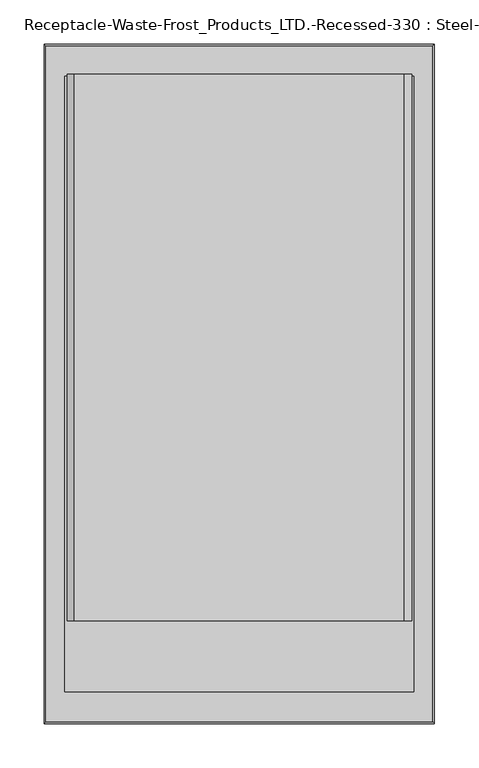
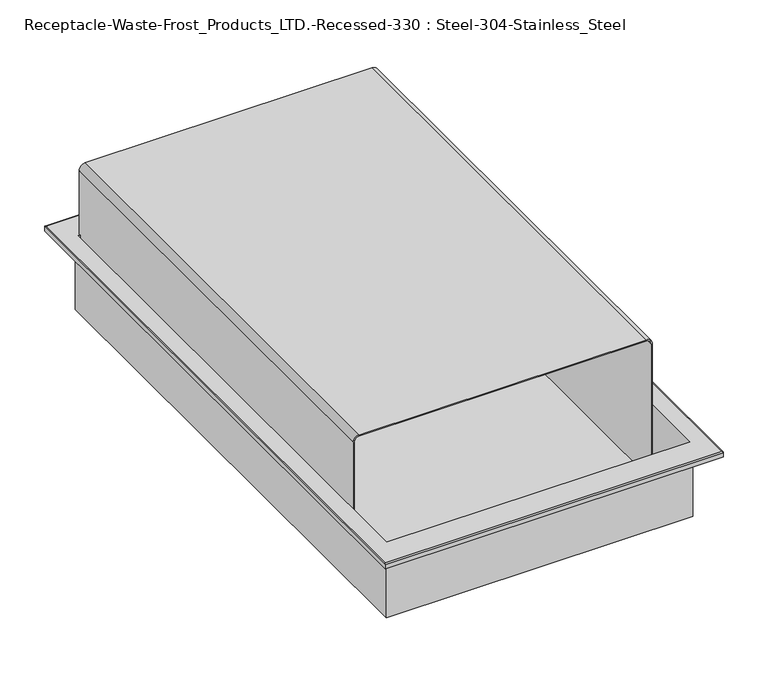
"""IFC4 building model written with IfcOpenShell, lengths in millimetres: proxy geometry, Receptacle-Waste-Frost_Products_LTD.-Recessed-330 : Steel-304-Stainless_Steel."""

from ifc_helpers import new_model, si_unit, frame, origin, place, context, project, spatial, polyline, circle_curve, ellipse_curve, source, transform, mapped, element, save
from ifc_brep_helpers import plane_surface, cylinder_surface, revolved_surface, advanced_brep


def receptacle_waste_frost_products_ltd_recessed_330_steel_304_76410200(model_context):
    return source(origin(), model_context, "Body", "AdvancedBrep", [
        advanced_brep(
        [(-219.075, -381.8020917, 0.0), (219.075, -381.8020917, 0.0), (219.075, -381.8020917, 5.6133527), (-219.075, -381.8020917, 5.6133527), (217.5790156, -380.3061073, 7.1093371), (-217.5790156, -380.3061073, 7.1093371), (219.075, 381.8020917, 0.0), (219.075, 381.8020917, 5.6133527), (217.5790156, 380.3061073, 7.1093371), (-219.075, 381.8020917, 0.0), (-219.075, 381.8020917, 5.6133527), (-217.5790156, 380.3061073, 7.1093371), (198.3419158, -348.3835879, 0.0), (198.3419158, 348.3835833, 0.0), (193.8247807, 348.3835833, 0.0), (192.2372807, 348.3835833, 0.0), (-192.0790654, 348.3835833, 0.0), (-193.6665654, 348.3835833, 0.0), (-198.3469971, 348.3835833, 0.0), (-198.3469971, -348.3835879, 0.0), (-196.1143444, 346.1484011, 7.1093371), (-193.6665654, 346.1484011, 7.1093371), (-193.6665654, 348.3835833, 7.1093371), (193.8247807, 348.3835833, 7.1093371), (193.8247807, 346.1484011, 7.1093371), (196.109278, 346.1484011, 7.1093371), (196.109278, -346.1483722, 7.1093371), (-196.1143444, -346.1483722, 7.1093371), (198.3419158, -348.3835879, -94.7969193), (-198.3469971, -348.3835879, -94.7969193), (-198.3469971, 348.3835833, -94.7969193), (198.3419158, 348.3835833, -94.7969193), (198.3419158, -348.3835879, -92.1378353), (-198.3469971, -348.3835879, -92.1378353), (-198.3469971, 348.3835833, -92.1378353), (198.3419158, 348.3835833, -92.1378353), (-196.1143444, -346.1483722, -92.1378353), (-196.1143444, 346.1484011, -92.1378353), (196.109278, -346.1483722, -92.1378353), (196.109278, 346.1484011, -92.1378353), (193.8247807, 346.1484011, -92.1378353), (-193.6665654, 346.1484011, -92.1378353), (193.8247807, 345.312748, -92.1378353), (193.8247807, -266.0095038, -92.1378353), (192.2372807, -266.0095038, -92.1378353), (192.2372807, 345.312748, -92.1378353), (-192.0790654, 345.312748, -92.1378353), (-192.0790654, -266.0095038, -92.1378353), (-193.6665654, -266.0095038, -92.1378353), (-193.6665654, 345.312748, -92.1378353), (193.8247807, 348.3835833, 93.7416362), (-193.6665654, 348.3835833, 93.9474913), (-185.760878, 348.3835833, 101.8531787), (185.7132381, 348.3835833, 101.8531787), (-193.6665654, -266.0095038, 93.9474913), (-192.0790654, -266.0095038, 93.9474913), (-185.760878, -266.0095038, 100.2656787), (185.7132381, -266.0095038, 100.2656787), (192.2372807, -266.0095038, 93.7416362), (193.8247807, -266.0095038, 93.7416362), (185.7132381, -266.0095038, 101.8531787), (-185.760878, -266.0095038, 101.8531787), (-193.6665654, 345.312748, 93.9474913), (193.8247807, 345.312748, 93.7416362), (185.7132381, 345.312748, 101.8531787), (-185.760878, 345.312748, 101.8531787), (-192.0790654, 345.312748, 93.9474913), (-185.760878, 345.312748, 100.2656787), (185.7132381, 345.312748, 100.2656787), (192.2372807, 345.312748, 93.7416362)],
        [
            (0, 1),
            (1, 2),
            (2, 3),
            (3, 0),
            (2, 4, ellipse_curve(frame((217.5790156, -380.3061073, 5.6133527), z_axis=(-0.707106781186546, -0.707106781186549, 0.0), x_axis=(-0.7071067811865489, 0.707106781186546, 0.0)), 2.1156414, 1.4959844)),
            (4, 5),
            (5, 3, ellipse_curve(frame((-217.5790156, -380.3061073, 5.6133527), z_axis=(0.7071067811865491, -0.7071067811865459, 0.0), x_axis=(-0.707106781186546, -0.7071067811865491, 0.0)), 2.1156414, 1.4959844)),
            (1, 6),
            (6, 7),
            (7, 2),
            (7, 8, ellipse_curve(frame((217.5790156, 380.3061073, 5.6133527), z_axis=(0.7071067811865491, -0.7071067811865458, 0.0), x_axis=(-0.7071067811865457, -0.7071067811865493, 0.0)), 2.1156414, 1.4959844)),
            (8, 4),
            (6, 9),
            (9, 10),
            (10, 7),
            (10, 11, ellipse_curve(frame((-217.5790156, 380.3061073, 5.6133527), z_axis=(0.7071067811865458, 0.7071067811865492, 0.0), x_axis=(0.7071067811865492, -0.7071067811865457, 0.0)), 2.1156414, 1.4959844)),
            (11, 8),
            (3, 10),
            (9, 0),
            (12, 13),
            (13, 14),
            (14, 15),
            (15, 16),
            (16, 17),
            (17, 18),
            (18, 19),
            (19, 12),
            (11, 5),
            (20, 21),
            (21, 22),
            (22, 23),
            (23, 24),
            (24, 25),
            (25, 26),
            (26, 27),
            (27, 20),
            (28, 29),
            (29, 30),
            (30, 31),
            (31, 28),
            (28, 32),
            (32, 12),
            (19, 33),
            (33, 29),
            (18, 34),
            (34, 30),
            (13, 35),
            (35, 31),
            (27, 36),
            (36, 37),
            (37, 20),
            (26, 38),
            (38, 36),
            (25, 39),
            (39, 38),
            (24, 40),
            (40, 39),
            (37, 41),
            (41, 21),
            (40, 42),
            (42, 43),
            (43, 44),
            (44, 45),
            (45, 46),
            (46, 47),
            (47, 48),
            (48, 49),
            (49, 41),
            (50, 23),
            (22, 51),
            (51, 52, circle_curve(frame((-185.760878, 348.3835833, 93.9474913), z_axis=(0.0, 1.0, 0.0), x_axis=(1.0, 0.0, 0.0)), 7.9056874)),
            (52, 53),
            (53, 50, circle_curve(frame((185.7132381, 348.3835833, 93.7416362), z_axis=(0.0, 1.0, 0.0), x_axis=(1.0, 0.0, 0.0)), 8.1115425)),
            (54, 48),
            (47, 55),
            (55, 56, circle_curve(frame((-185.760878, -266.0095038, 93.9474913), z_axis=(0.0, 1.0, 0.0), x_axis=(1.0, 0.0, 0.0)), 6.3181874)),
            (56, 57),
            (57, 58, circle_curve(frame((185.7132381, -266.0095038, 93.7416362), z_axis=(0.0, 1.0, 0.0), x_axis=(1.0, 0.0, 0.0)), 6.5240425)),
            (58, 44),
            (43, 59),
            (59, 60, circle_curve(frame((185.7132381, -266.0095038, 93.7416362), z_axis=(0.0, -1.0, 0.0), x_axis=(1.0, 0.0, 0.0)), 8.1115425)),
            (60, 61),
            (61, 54, circle_curve(frame((-185.760878, -266.0095038, 93.9474913), z_axis=(0.0, -1.0, 0.0), x_axis=(1.0, 0.0, 0.0)), 7.9056874)),
            (54, 62),
            (62, 51),
            (50, 63),
            (63, 59),
            (53, 64),
            (64, 60),
            (52, 65),
            (65, 61),
            (46, 66),
            (66, 55),
            (66, 67, circle_curve(frame((-185.760878, 345.312748, 93.9474913), z_axis=(0.0, 1.0, 0.0), x_axis=(1.0, 0.0, 0.0)), 6.3181874)),
            (67, 56),
            (67, 68),
            (68, 57),
            (68, 69, circle_curve(frame((185.7132381, 345.312748, 93.7416362), z_axis=(0.0, 1.0, 0.0), x_axis=(1.0, 0.0, 0.0)), 6.5240425)),
            (69, 58),
            (69, 45),
        ],
        [
            plane_surface(frame((-219.075, -381.8020917, 5.6133527), z_axis=(0.0, -1.0, 0.0), x_axis=(1.0, 0.0, 0.0))),
            cylinder_surface(frame((-219.075, -380.3061073, 5.6133527), z_axis=(-1.0, 0.0, 0.0), x_axis=(0.0, -1.0, 0.0)), 1.4959844),
            plane_surface(frame((219.075, -381.8020917, 5.6133527), z_axis=(1.0, 0.0, 0.0), x_axis=(0.0, 1.0, 0.0))),
            cylinder_surface(frame((217.5790156, -381.8020917, 5.6133527), z_axis=(0.0, -1.0, 0.0), x_axis=(1.0, 0.0, 0.0)), 1.4959844),
            plane_surface(frame((219.075, 381.8020917, 5.6133527), z_axis=(0.0, 1.0, 0.0), x_axis=(-1.0, 0.0, 0.0))),
            cylinder_surface(frame((219.075, 380.3061073, 5.6133527), z_axis=(1.0, 0.0, 0.0), x_axis=(0.0, 1.0, 0.0)), 1.4959844),
            plane_surface(frame((-219.075, 381.8020917, 5.6133527), z_axis=(-1.0, 0.0, 0.0), x_axis=(0.0, -1.0, 0.0))),
            plane_surface(frame((-219.075, 381.8020917, 0.0), z_axis=(0.0, 0.0, -1.0), x_axis=(0.0, -1.0, 0.0))),
            plane_surface(frame((-215.9609243, 378.688016, 7.1093371), z_axis=(0.0, 0.0, 1.0), x_axis=(0.0, -1.0, 0.0))),
            cylinder_surface(frame((-217.5790156, 381.8020917, 5.6133527), z_axis=(0.0, 1.0, 0.0), x_axis=(-1.0, 0.0, 0.0)), 1.4959844),
            plane_surface(frame((-198.3469971, -348.3835879, -94.7969193), z_axis=(0.0, 0.0, -1.0), x_axis=(1.0, 0.0, 0.0))),
            plane_surface(frame((198.3419158, -348.3835879, 7.1094019), z_axis=(0.0, -1.0, 0.0), x_axis=(0.0, 0.0, -1.0))),
            plane_surface(frame((-198.3469971, -348.3835879, 7.1094019), z_axis=(-1.0, 0.0, 0.0), x_axis=(0.0, 0.0, -1.0))),
            plane_surface(frame((-198.3469971, 348.3835833, 7.1094019), z_axis=(0.0, 1.0, 0.0), x_axis=(0.0, 0.0, -1.0))),
            plane_surface(frame((198.3419158, 348.3835833, 7.1094019), z_axis=(1.0, 0.0, 0.0), x_axis=(0.0, 0.0, -1.0))),
            plane_surface(frame((-196.1143444, 346.1484011, 7.1094019), z_axis=(1.0, 0.0, 0.0), x_axis=(0.0, 0.0, -1.0))),
            plane_surface(frame((-196.1143444, -346.1483722, 7.1094019), z_axis=(0.0, 1.0, 0.0), x_axis=(0.0, 0.0, -1.0))),
            plane_surface(frame((196.109278, -346.1483722, 7.1094019), z_axis=(-1.0, 0.0, 0.0), x_axis=(0.0, 0.0, -1.0))),
            plane_surface(frame((196.109278, 346.1484011, 7.1094019), z_axis=(0.0, -1.0, 0.0), x_axis=(0.0, 0.0, -1.0))),
            plane_surface(frame((-198.3469971, -348.3835879, -92.1378353), z_axis=(0.0, 0.0, 1.0), x_axis=(0.0, 1.0, 0.0))),
            plane_surface(frame((-193.6665654, 348.3835833, 8.6627192), z_axis=(0.0, 1.0, 0.0), x_axis=(0.0, 0.0, -1.0))),
            plane_surface(frame((-193.6665654, -266.0095038, 8.6627192), z_axis=(0.0, -1.0, 0.0), x_axis=(0.0, 0.0, 1.0))),
            plane_surface(frame((-193.6665654, 348.3835833, 93.9474913), z_axis=(-1.0, 0.0, 0.0), x_axis=(0.0, -1.0, 0.0))),
            plane_surface(frame((193.8247807, 348.3835833, -93.7253353), z_axis=(1.0, 0.0, 0.0), x_axis=(0.0, -1.0, 0.0))),
            cylinder_surface(frame((185.7132381, -266.0095038, 93.7416362), z_axis=(0.0, 1.0, 0.0), x_axis=(1.0, 0.0, 0.0)), 8.1115425),
            plane_surface(frame((185.7132381, 348.3835833, 101.8531787), z_axis=(0.0, 0.0, 1.0), x_axis=(0.0, -1.0, 0.0))),
            cylinder_surface(frame((-185.760878, -266.0095038, 93.9474913), z_axis=(0.0, 1.0, 0.0), x_axis=(1.0, 0.0, 0.0)), 7.9056874),
            plane_surface(frame((-192.0790654, 348.3835833, -92.1378353), z_axis=(1.0, 0.0, 0.0), x_axis=(0.0, -1.0, 0.0))),
            revolved_surface(polyline([(-179.4426906, -266.0095038, 93.9474913), (-179.4426906, 345.312748, 93.9474913)]), (-185.760878, 0.0, 93.9474913), (0.0, -1.0, 0.0)),
            plane_surface(frame((-185.760878, 348.3835833, 100.2656787), z_axis=(0.0, 0.0, -1.0), x_axis=(0.0, -1.0, 0.0))),
            revolved_surface(polyline([(192.23728060000002, -266.0095038, 93.7416362), (192.23728060000002, 345.312748, 93.7416362)]), (185.7132381, 0.0, 93.7416362), (0.0, -1.0, 0.0)),
            plane_surface(frame((192.2372807, 348.3835833, 93.7416362), z_axis=(-1.0, 0.0, 0.0), x_axis=(0.0, -1.0, 0.0))),
            plane_surface(frame((-193.6665654, 345.312748, -93.7253353), z_axis=(0.0, -1.0, 0.0), x_axis=(-1.0, 0.0, 0.0))),
        ],
        [
            (0, [[1, 2, 3, 4]]),
            (1, [[5, 6, 7, -3]]),
            (2, [[8, 9, 10, -2]]),
            (3, [[-10, 11, 12, -5]]),
            (4, [[13, 14, 15, -9]]),
            (5, [[-15, 16, 17, -11]]),
            (6, [[18, -14, 19, -4]]),
            (7, [[-19, -13, -8, -1], [20, 21, 22, 23, 24, 25, 26, 27]]),
            (8, [[-12, -17, 28, -6], [29, 30, 31, 32, 33, 34, 35, 36]]),
            (9, [[-28, -16, -18, -7]]),
            (10, [[37, 38, 39, 40]]),
            (11, [[41, 42, -27, 43, 44, -37]]),
            (12, [[-44, -43, -26, 45, 46, -38]]),
            (13, [[-46, -45, -25, -24, -23, -22, -21, 47, 48, -39]]),
            (14, [[-48, -47, -20, -42, -41, -40]]),
            (15, [[49, 50, 51, -36]]),
            (16, [[52, 53, -49, -35]]),
            (17, [[54, 55, -52, -34]]),
            (18, [[-33, 56, 57, -54]]),
            (18, [[58, 59, -29, -51]]),
            (19, [[-53, -55, -57, 60, 61, 62, 63, 64, 65, 66, 67, 68, -58, -50]]),
            (20, [[69, -31, 70, 71, 72, 73]]),
            (21, [[74, -66, 75, 76, 77, 78, 79, -62, 80, 81, 82, 83]]),
            (22, [[-30, -59, -68, -67, -74, 84, 85, -70]]),
            (23, [[86, 87, -80, -61, -60, -56, -32, -69]]),
            (24, [[88, 89, -81, -87, -86, -73]]),
            (25, [[90, 91, -82, -89, -88, -72]]),
            (26, [[-85, -84, -83, -91, -90, -71]]),
            (27, [[-65, 92, 93, -75]]),
            (28, [[-93, 94, 95, -76]]),
            (29, [[-95, 96, 97, -77]]),
            (30, [[-97, 98, 99, -78]]),
            (31, [[-99, 100, -63, -79]]),
            (32, [[-100, -98, -96, -94, -92, -64]]),
        ],
    ),
    ])


if __name__ == "__main__":
    model = new_model("IFC4")
    model_context = context("Model", 3, world=origin())
    ifc_project = project(units=[si_unit("LENGTHUNIT", "METRE", prefix="MILLI")], contexts=[model_context])
    site = spatial("IfcSite", under=ifc_project)
    building = spatial("IfcBuilding", under=site)
    placement = place(None, origin())
    receptacle_waste_frost_products_ltd_recessed_330_steel_304_shape = receptacle_waste_frost_products_ltd_recessed_330_steel_304_76410200(model_context)
    element("IfcBuildingElementProxy", 1, Name="Receptacle-Waste-Frost_Products_LTD.-Recessed-330 : Steel-304-Stainless_Steel", ObjectType="Receptacle-Waste-Frost_Products_LTD.-Recessed-330 : Steel-304-Stainless_Steel", at=placement, inside=building, context=model_context, shape_type="MappedRepresentation", body=[
        mapped(receptacle_waste_frost_products_ltd_recessed_330_steel_304_shape, transform((0.0, 0.0, 0.0), x_axis=(1.0, 0.0, 0.0), y_axis=(0.0, 1.0, 0.0), z_axis=(0.0, 0.0, 1.0))),
    ])
    save(model, "model.ifc")
